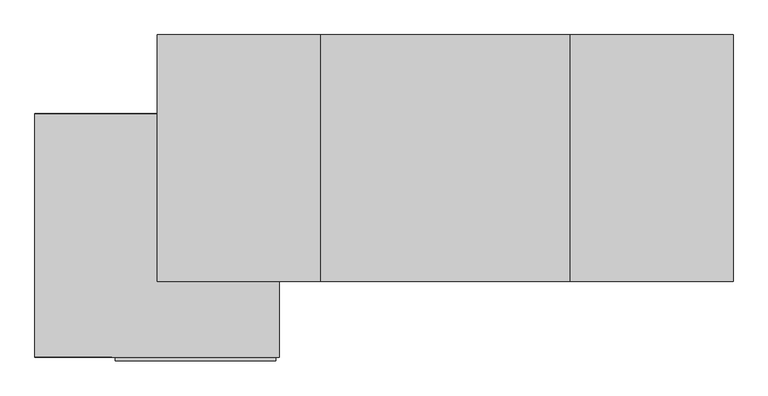
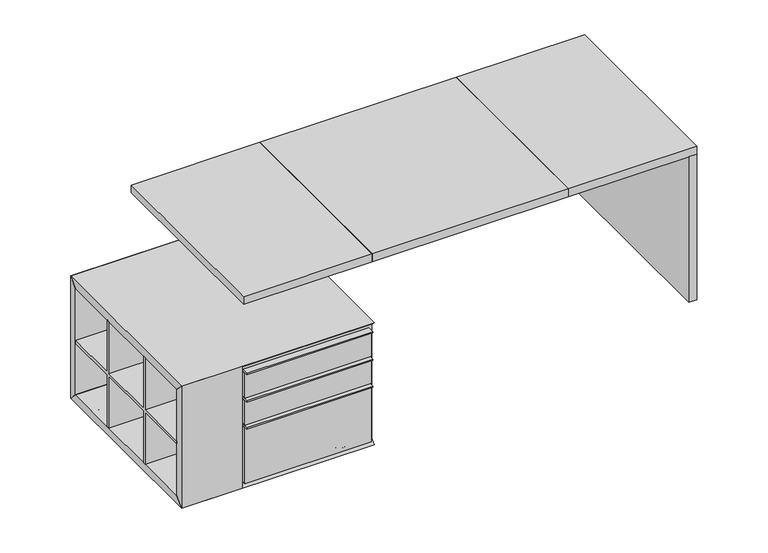
"""IFC4 building model written with IfcOpenShell, lengths in millimetres: furniture geometry."""

from ifc_helpers import new_model, si_unit, point, frame, frame_2d, origin, origin_with_axes, place, context, project, spatial, polyline, circle_curve, ellipse_curve, trimmed, segment, composite_curve, outline, extrude, source, transform, mapped, element, save
from ifc_brep_helpers import plane_surface, revolved_surface, advanced_brep


def furniture_280579aa(model_context):
    return source(origin(), model_context, "Body", "SolidModel", [
        extrude(outline(polyline([(1012.761497, -28.575), (1050.861497, -28.575), (1050.861497, -927.1), (1012.761497, -927.1), (1012.761497, -28.575)])), origin_with_axes(), (0.0, 0.0, 1.0), 711.2),
        advanced_brep(
        [(-1388.9189162, -416.6868882, 38.0080339), (-1426.9269502, -416.6868882, 38.0080339), (-1350.9108823, -416.6868882, 38.0080339), (-1388.9189162, -416.6868882, 0.0)],
        [
            (0, 1),
            (1, 2, circle_curve(frame((-1388.9189162, -416.6868882, 38.0080339), z_axis=(0.0, 0.0, 1.0), x_axis=(-1.0, 0.0, 0.0)), 38.0080339)),
            (2, 0),
            (2, 1, circle_curve(frame((-1388.9189162, -416.6868882, 38.0080339), z_axis=(0.0, 0.0, 1.0), x_axis=(-1.0, 0.0, 0.0)), 38.0080339)),
            (1, 3, circle_curve(frame((-1388.9189162, -416.6868882, 38.0080339), z_axis=(0.0, -1.0, 0.0), x_axis=(-1.0, 0.0, 0.0)), 38.0080339)),
            (3, 2, circle_curve(frame((-1388.9189162, -416.6868882, 38.0080339), z_axis=(0.0, -1.0, 0.0), x_axis=(1.0, 0.0, 0.0)), 38.0080339)),
        ],
        [
            plane_surface(frame((-1388.9189162, -416.6868882, 38.0080339), z_axis=(0.0, 0.0, 1.0), x_axis=(-1.0, 0.0, 0.0))),
            revolved_surface(trimmed(ellipse_curve(frame((-1388.9189162, -416.6868882, 38.0080339), z_axis=(0.0, 1.0, 0.0), x_axis=(-1.0, 0.0, 0.0)), 38.0080339, 38.0080339), [point((-1388.9189162, -416.6868882, 0.0))], [point((-1426.9269502, -416.6868882, 38.0080339))], True, "CARTESIAN"), (-1388.9189162, -416.6868882, -304.8), (0.0, 0.0, 1.0)),
        ],
        [
            (0, [[1, 2, 3]]),
            (0, [[-3, 4, -1]]),
            (1, [[-2, 5, 6]]),
            (1, [[-4, -6, -5]]),
        ],
    ),
        advanced_brep(
        [(-703.1189162, -416.6868882, 38.0080339), (-741.1269502, -416.6868882, 38.0080339), (-665.1108823, -416.6868882, 38.0080339), (-703.1189162, -416.6868882, 0.0)],
        [
            (0, 1),
            (1, 2, circle_curve(frame((-703.1189162, -416.6868882, 38.0080339), z_axis=(0.0, 0.0, 1.0), x_axis=(-1.0, 0.0, 0.0)), 38.0080339)),
            (2, 0),
            (2, 1, circle_curve(frame((-703.1189162, -416.6868882, 38.0080339), z_axis=(0.0, 0.0, 1.0), x_axis=(-1.0, 0.0, 0.0)), 38.0080339)),
            (1, 3, circle_curve(frame((-703.1189162, -416.6868882, 38.0080339), z_axis=(0.0, -1.0, 0.0), x_axis=(-1.0, 0.0, 0.0)), 38.0080339)),
            (3, 2, circle_curve(frame((-703.1189162, -416.6868882, 38.0080339), z_axis=(0.0, -1.0, 0.0), x_axis=(1.0, 0.0, 0.0)), 38.0080339)),
        ],
        [
            plane_surface(frame((-703.1189162, -416.6868882, 38.0080339), z_axis=(0.0, 0.0, 1.0), x_axis=(-1.0, 0.0, 0.0))),
            revolved_surface(trimmed(ellipse_curve(frame((-703.1189162, -416.6868882, 38.0080339), z_axis=(0.0, 1.0, 0.0), x_axis=(-1.0, 0.0, 0.0)), 38.0080339, 38.0080339), [point((-703.1189162, -416.6868882, 0.0))], [point((-741.1269502, -416.6868882, 38.0080339))], True, "CARTESIAN"), (-703.1189162, -416.6868882, -304.8), (0.0, 0.0, 1.0)),
        ],
        [
            (0, [[1, 2, 3]]),
            (0, [[-3, 4, -1]]),
            (1, [[-2, 5, 6]]),
            (1, [[-4, -6, -5]]),
        ],
    ),
        advanced_brep(
        [(-703.1189162, -1102.4868882, 38.0080339), (-741.1269502, -1102.4868882, 38.0080339), (-665.1108823, -1102.4868882, 38.0080339), (-703.1189162, -1102.4868882, 0.0)],
        [
            (0, 1),
            (1, 2, circle_curve(frame((-703.1189162, -1102.4868882, 38.0080339), z_axis=(0.0, 0.0, 1.0), x_axis=(-1.0, 0.0, 0.0)), 38.0080339)),
            (2, 0),
            (2, 1, circle_curve(frame((-703.1189162, -1102.4868882, 38.0080339), z_axis=(0.0, 0.0, 1.0), x_axis=(-1.0, 0.0, 0.0)), 38.0080339)),
            (1, 3, circle_curve(frame((-703.1189162, -1102.4868882, 38.0080339), z_axis=(0.0, -1.0, 0.0), x_axis=(-1.0, 0.0, 0.0)), 38.0080339)),
            (3, 2, circle_curve(frame((-703.1189162, -1102.4868882, 38.0080339), z_axis=(0.0, -1.0, 0.0), x_axis=(1.0, 0.0, 0.0)), 38.0080339)),
        ],
        [
            plane_surface(frame((-703.1189162, -1102.4868882, 38.0080339), z_axis=(0.0, 0.0, 1.0), x_axis=(-1.0, 0.0, 0.0))),
            revolved_surface(trimmed(ellipse_curve(frame((-703.1189162, -1102.4868882, 38.0080339), z_axis=(0.0, 1.0, 0.0), x_axis=(-1.0, 0.0, 0.0)), 38.0080339, 38.0080339), [point((-703.1189162, -1102.4868882, 0.0))], [point((-741.1269502, -1102.4868882, 38.0080339))], True, "CARTESIAN"), (-703.1189162, -1102.4868882, -304.8), (0.0, 0.0, 1.0)),
        ],
        [
            (0, [[1, 2, 3]]),
            (0, [[-3, 4, -1]]),
            (1, [[-2, 5, 6]]),
            (1, [[-4, -6, -5]]),
        ],
    ),
        advanced_brep(
        [(-1388.9189162, -1102.4868882, 38.0080339), (-1426.9269502, -1102.4868882, 38.0080339), (-1350.9108823, -1102.4868882, 38.0080339), (-1388.9189162, -1102.4868882, 0.0)],
        [
            (0, 1),
            (1, 2, circle_curve(frame((-1388.9189162, -1102.4868882, 38.0080339), z_axis=(0.0, 0.0, 1.0), x_axis=(-1.0, 0.0, 0.0)), 38.0080339)),
            (2, 0),
            (2, 1, circle_curve(frame((-1388.9189162, -1102.4868882, 38.0080339), z_axis=(0.0, 0.0, 1.0), x_axis=(-1.0, 0.0, 0.0)), 38.0080339)),
            (1, 3, circle_curve(frame((-1388.9189162, -1102.4868882, 38.0080339), z_axis=(0.0, -1.0, 0.0), x_axis=(-1.0, 0.0, 0.0)), 38.0080339)),
            (3, 2, circle_curve(frame((-1388.9189162, -1102.4868882, 38.0080339), z_axis=(0.0, -1.0, 0.0), x_axis=(1.0, 0.0, 0.0)), 38.0080339)),
        ],
        [
            plane_surface(frame((-1388.9189162, -1102.4868882, 38.0080339), z_axis=(0.0, 0.0, 1.0), x_axis=(-1.0, 0.0, 0.0))),
            revolved_surface(trimmed(ellipse_curve(frame((-1388.9189162, -1102.4868882, 38.0080339), z_axis=(0.0, 1.0, 0.0), x_axis=(-1.0, 0.0, 0.0)), 38.0080339, 38.0080339), [point((-1388.9189162, -1102.4868882, 0.0))], [point((-1426.9269502, -1102.4868882, 38.0080339))], True, "CARTESIAN"), (-1388.9189162, -1102.4868882, -304.8), (0.0, 0.0, 1.0)),
        ],
        [
            (0, [[1, 2, 3]]),
            (0, [[-3, 4, -1]]),
            (1, [[-2, 5, 6]]),
            (1, [[-4, -6, -5]]),
        ],
    ),
        extrude(outline(polyline([(-911.9868882, 596.8080339), (-899.2868882, 596.8080339), (-899.2868882, 342.8080339), (-619.8868882, 342.8080339), (-619.8868882, 596.8080339), (-607.1868882, 596.8080339), (-607.1868882, 342.8080339), (-353.1868882, 342.8080339), (-353.1868882, 330.1080339), (-607.1868882, 330.1080339), (-607.1868882, 76.1080339), (-619.8868882, 76.1080339), (-619.8868882, 330.1080339), (-899.2868882, 330.1080339), (-899.2868882, 76.1080339), (-911.9868882, 76.1080339), (-911.9868882, 330.1080339), (-1165.9868882, 330.1080339), (-1165.9868882, 342.8080339), (-911.9868882, 342.8080339), (-911.9868882, 596.8080339)])), frame((-1490.5189162, 0.0, 0.0), z_axis=(1.0, 0.0, 0.0), x_axis=(0.0, 1.0, 0.0)), (0.0, 0.0, 1.0), 279.4),
        extrude(outline(polyline([(-614.2189162, -1185.0368882), (-614.2189162, -1216.7868882), (-1198.4189162, -1216.7868882), (-1198.4189162, -1185.0368882), (-614.2189162, -1185.0368882)])), frame((0.0, 0.0, 462.1448893), z_axis=(0.0, 0.0, 1.0), x_axis=(1.0, 0.0, 0.0)), (0.0, 0.0, 1.0), 6.35),
        extrude(outline(polyline([(-614.2189162, -1185.0368882), (-614.2189162, -1216.7868882), (-1198.4189162, -1216.7868882), (-1198.4189162, -1185.0368882), (-614.2189162, -1185.0368882)])), frame((0.0, 0.0, 596.8080339), z_axis=(0.0, 0.0, 1.0), x_axis=(1.0, 0.0, 0.0)), (0.0, 0.0, 1.0), 6.35),
        extrude(outline(polyline([(-614.2189162, -1185.0368882), (-614.2189162, -1216.7868882), (-1198.4189162, -1216.7868882), (-1198.4189162, -1185.0368882), (-614.2189162, -1185.0368882)])), frame((0.0, 0.0, 330.1080339), z_axis=(0.0, 0.0, 1.0), x_axis=(1.0, 0.0, 0.0)), (0.0, 0.0, 1.0), 6.35),
        extrude(outline(polyline([(-614.2189162, -1185.0368882), (-614.2189162, -1204.0868882), (-1198.4189162, -1204.0868882), (-1198.4189162, -1185.0368882), (-614.2189162, -1185.0368882)])), frame((0.0, 0.0, 474.8448893), z_axis=(0.0, 0.0, 1.0), x_axis=(1.0, 0.0, 0.0)), (0.0, 0.0, 1.0), 121.9631446),
        extrude(outline(polyline([(-614.2189162, -1185.0368882), (-614.2189162, -1204.0868882), (-1198.4189162, -1204.0868882), (-1198.4189162, -1185.0368882), (-614.2189162, -1185.0368882)])), frame((0.0, 0.0, 342.8080339), z_axis=(0.0, 0.0, 1.0), x_axis=(1.0, 0.0, 0.0)), (0.0, 0.0, 1.0), 119.3368554),
        extrude(outline(polyline([(-614.2189162, -1185.0368882), (-614.2189162, -1204.0868882), (-1198.4189162, -1204.0868882), (-1198.4189162, -1185.0368882), (-614.2189162, -1185.0368882)])), frame((0.0, 0.0, 57.0580339), z_axis=(0.0, 0.0, 1.0), x_axis=(1.0, 0.0, 0.0)), (0.0, 0.0, 1.0), 273.05),
        extrude(outline(composite_curve([segment(trimmed(circle_curve(frame_2d((-816.038503, -477.8375)), 69.85), [point((-885.888503, -477.8375))], [point((-746.188503, -477.8375))], False, "CARTESIAN"), True, "CONTINUOUS"), segment(trimmed(circle_curve(frame_2d((-816.038503, -477.8375)), 69.85), [point((-746.188503, -477.8375))], [point((-885.888503, -477.8375))], False, "CARTESIAN"), True, "CONTINUOUS")], self_intersect=False)), frame((0.0, 0.0, 634.9080339), z_axis=(0.0, 0.0, 1.0), x_axis=(1.0, 0.0, 0.0)), (0.0, 0.0, 1.0), 76.2919661),
        extrude(outline(polyline([(-1185.0368882, 615.8580339), (-1165.9868882, 596.8080339), (-353.1868882, 596.8080339), (-353.1868882, 76.1080339), (-1165.9868882, 76.1080339), (-1185.0368882, 57.0580339), (-1185.0368882, 615.8580339)])), frame((-1211.1189162, 0.0, 0.0), z_axis=(1.0, 0.0, 0.0), x_axis=(0.0, 1.0, 0.0)), (0.0, 0.0, 1.0), 609.6),
        extrude(outline(polyline([(-353.1868882, 76.1080339), (-353.1868882, 596.8080339), (-315.0868882, 634.9080339), (-315.0868882, 38.0080339), (-353.1868882, 76.1080339)])), frame((-1490.5189162, 0.0, 0.0), z_axis=(1.0, 0.0, 0.0), x_axis=(0.0, 1.0, 0.0)), (0.0, 0.0, 1.0), 889.0),
        extrude(outline(polyline([(-1204.0868882, 634.9080339), (-1165.9868882, 596.8080339), (-1165.9868882, 76.1080339), (-1204.0868882, 38.0080339), (-1204.0868882, 634.9080339)])), frame((-1490.5189162, 0.0, 0.0), z_axis=(1.0, 0.0, 0.0), x_axis=(0.0, 1.0, 0.0)), (0.0, 0.0, 1.0), 279.4),
        extrude(outline(polyline([(-353.1868882, 596.8080339), (-1165.9868882, 596.8080339), (-1204.0868882, 634.9080339), (-315.0868882, 634.9080339), (-353.1868882, 596.8080339)])), frame((-1490.5189162, 0.0, 0.0), z_axis=(1.0, 0.0, 0.0), x_axis=(0.0, 1.0, 0.0)), (0.0, 0.0, 1.0), 889.0),
        extrude(outline(polyline([(-1165.9868882, 76.1080339), (-353.1868882, 76.1080339), (-315.0868882, 38.0080339), (-1204.0868882, 38.0080339), (-1165.9868882, 76.1080339)])), frame((-1490.5189162, 0.0, 0.0), z_axis=(1.0, 0.0, 0.0), x_axis=(0.0, 1.0, 0.0)), (0.0, 0.0, 1.0), 889.0),
        extrude(outline(polyline([(-450.913503, -28.575), (457.136497, -28.575), (457.136497, -927.1), (-450.913503, -927.1), (-450.913503, -28.575)])), frame((0.0, 0.0, 711.2), z_axis=(0.0, 0.0, 1.0), x_axis=(1.0, 0.0, 0.0)), (0.0, 0.0, 1.0), 38.1),
        extrude(outline(polyline([(-1044.638503, -28.575), (-450.913503, -28.575), (-450.913503, -927.1), (-1044.638503, -927.1), (-1044.638503, -28.575)])), frame((0.0, 0.0, 711.2), z_axis=(0.0, 0.0, 1.0), x_axis=(1.0, 0.0, 0.0)), (0.0, 0.0, 1.0), 38.1),
        extrude(outline(polyline([(457.136497, -28.575), (1050.861497, -28.575), (1050.861497, -927.1), (457.136497, -927.1), (457.136497, -28.575)])), frame((0.0, 0.0, 711.2), z_axis=(0.0, 0.0, 1.0), x_axis=(1.0, 0.0, 0.0)), (0.0, 0.0, 1.0), 38.1),
    ])


if __name__ == "__main__":
    model = new_model("IFC4")
    model_context = context("Model", 3, world=origin())
    ifc_project = project(units=[si_unit("LENGTHUNIT", "METRE", prefix="MILLI")], contexts=[model_context])
    site = spatial("IfcSite", under=ifc_project)
    building = spatial("IfcBuilding", under=site)
    placement = place(None, origin())
    furniture_shape = furniture_280579aa(model_context)
    element("IfcFurniture", 1, at=placement, inside=building, context=model_context, shape_type="MappedRepresentation", body=[
        mapped(furniture_shape, transform((0.0, 0.0, 0.0), x_axis=(1.0, 0.0, 0.0), y_axis=(0.0, 1.0, 0.0), z_axis=(0.0, 0.0, 1.0))),
    ])
    save(model, "model.ifc")
